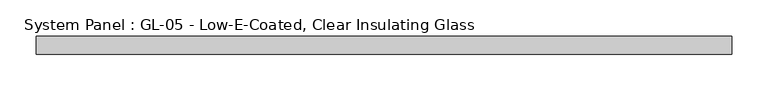
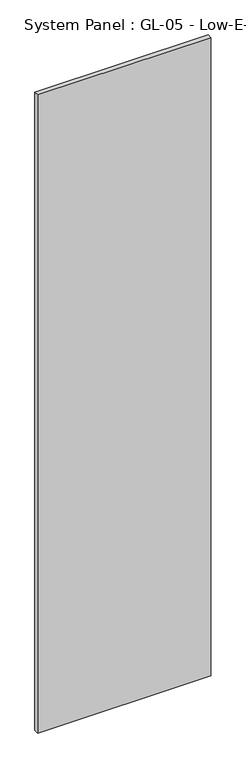
"""IFC4 building model written with IfcOpenShell, lengths in millimetres: plate geometry, System Panel : GL-05 - Low-E-Coated, Clear Insulating Glass."""

from ifc_helpers import new_model, si_unit, origin, origin_with_axes, place, context, project, spatial, polyline, outline, extrude, source, transform, mapped, element, save


def system_panel_gl_05_low_e_coated_clear_insulating_glass_2588b77d(model_context):
    return source(origin(), model_context, "Body", "SweptSolid", [
        extrude(outline(polyline([(482.6, -12.7), (-482.6, -12.7), (-482.6, 12.7), (482.6, 12.7), (482.6, -12.7)])), origin_with_axes(), (0.0, 0.0, 1.0), 3759.2),
    ])


if __name__ == "__main__":
    model = new_model("IFC4")
    model_context = context("Model", 3, world=origin())
    ifc_project = project(units=[si_unit("LENGTHUNIT", "METRE", prefix="MILLI")], contexts=[model_context])
    site = spatial("IfcSite", under=ifc_project)
    building = spatial("IfcBuilding", under=site)
    placement = place(None, origin())
    system_panel_gl_05_low_e_coated_clear_insulating_glass_shape = system_panel_gl_05_low_e_coated_clear_insulating_glass_2588b77d(model_context)
    element("IfcPlate", 1, ObjectType="System Panel : GL-05 - Low-E-Coated, Clear Insulating Glass", at=placement, inside=building, context=model_context, shape_type="MappedRepresentation", body=[
        mapped(system_panel_gl_05_low_e_coated_clear_insulating_glass_shape, transform((0.0, 0.0, 0.0), x_axis=(1.0, 0.0, 0.0), y_axis=(0.0, 1.0, 0.0), z_axis=(0.0, 0.0, 1.0))),
    ])
    save(model, "model.ifc")
